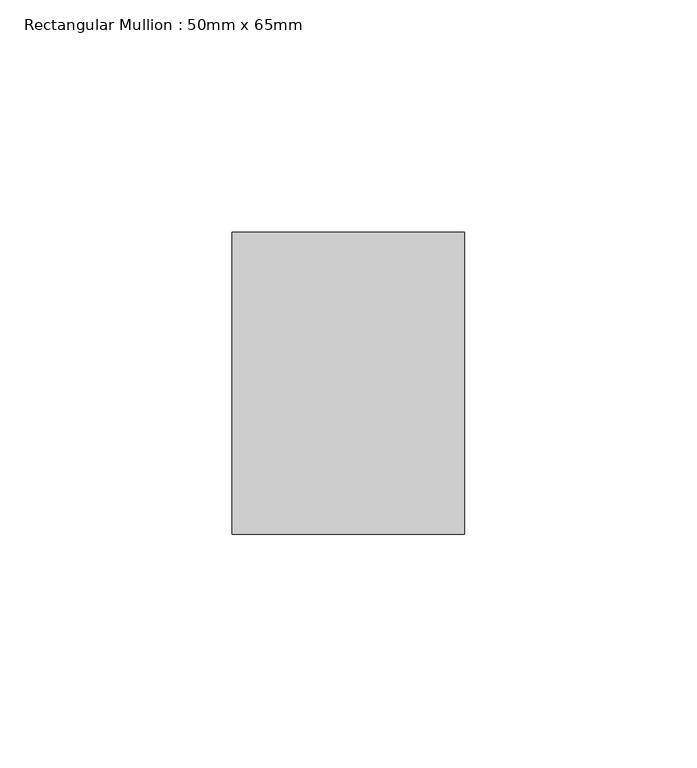
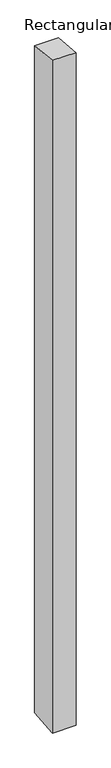
"""IFC4 building model written with IfcOpenShell, lengths in millimetres: member geometry, Rectangular Mullion : 50mm x 65mm."""

from ifc_helpers import new_model, si_unit, origin, place, context, project, spatial, faceted_brep, source, transform, mapped, element, save


def rectangular_mullion_50mm_x_65mm_f306bf3c(model_context):
    return source(origin(), model_context, "Body", "Brep", [
        faceted_brep([(-25.0, 32.5, -3.3716802), (25.0, 32.5, -3.3716835), (25.0, 32.5, -1496.8525486), (-25.0, 32.5, -1496.8525517), (-25.0, -32.5, 3.3716835), (-25.0, -32.5, -1503.1464244), (25.0, -32.5, 3.3716802), (25.0, -32.5, -1503.1464213)], [[[0, 1, 2, 3]], [[4, 0, 3, 5]], [[6, 4, 5, 7]], [[1, 6, 7, 2]], [[1, 0, 4, 6]], [[2, 7, 5, 3]]]),
    ])


if __name__ == "__main__":
    model = new_model("IFC4")
    model_context = context("Model", 3, world=origin())
    ifc_project = project(units=[si_unit("LENGTHUNIT", "METRE", prefix="MILLI")], contexts=[model_context])
    site = spatial("IfcSite", under=ifc_project)
    building = spatial("IfcBuilding", under=site)
    placement = place(None, origin())
    rectangular_mullion_50mm_x_65mm_shape = rectangular_mullion_50mm_x_65mm_f306bf3c(model_context)
    element("IfcMember", 1, ObjectType="Rectangular Mullion : 50mm x 65mm", at=placement, inside=building, context=model_context, shape_type="MappedRepresentation", body=[
        mapped(rectangular_mullion_50mm_x_65mm_shape, transform((0.0, 0.0, 0.0), x_axis=(1.0, 0.0, 0.0), y_axis=(0.0, 1.0, 0.0), z_axis=(0.0, 0.0, 1.0))),
    ])
    save(model, "model.ifc")
